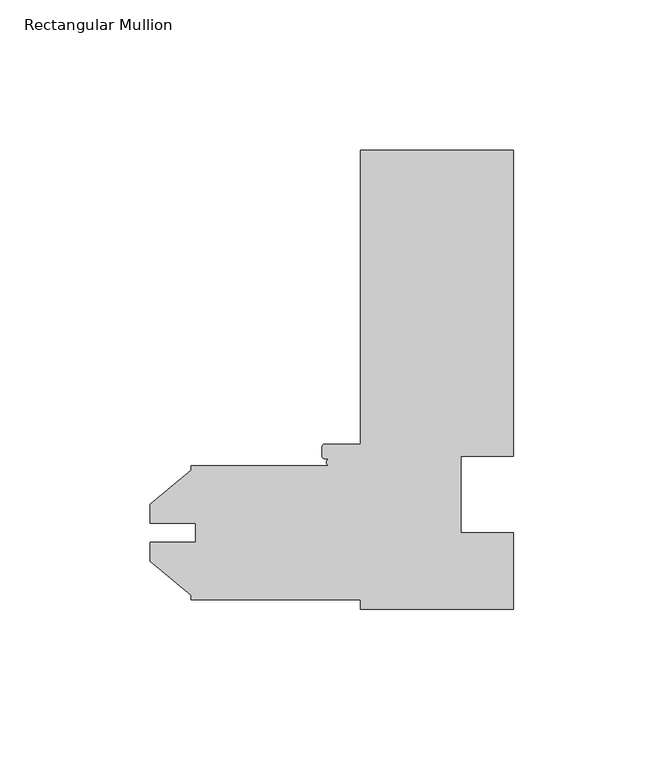
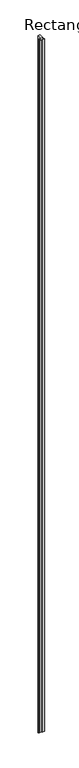
"""IFC4 building model written with IfcOpenShell, lengths in millimetres: member geometry, Rectangular Mullion."""

from ifc_helpers import new_model, si_unit, point, frame, frame_2d, origin, place, context, project, spatial, polyline, circle_curve, trimmed, segment, composite_curve, outline, extrude, source, transform, mapped, element, save


def rectangular_mullion_c0bb84a1(model_context):
    return source(origin(), model_context, "Body", "SweptSolid", [
        extrude(outline(composite_curve([segment(polyline([(50.8, 152.4), (50.8, 50.8), (33.3502, 50.8), (33.3502, 25.4), (50.8, 25.4), (50.8, 0.0), (0.0, 0.0), (0.0, 3.175), (-56.35625, 3.175), (-56.35625, 4.5691667), (-69.81825, 15.865126), (-69.81825, 22.2353979), (-54.78145, 22.2353979), (-54.78145, 28.5595221), (-69.81825, 28.5595221), (-69.81825, 34.929794), (-56.35625, 46.2257533), (-56.35625, 47.625), (-10.1142594, 47.625)]), True, "CONTINUOUS"), segment(trimmed(circle_curve(frame_2d((-10.1142594, 48.8188)), 1.1938), [point((-10.1142594, 47.625))], [point((-10.1142594, 50.0126))], False, "CARTESIAN"), True, "CONTINUOUS"), segment(polyline([(-10.1142594, 50.0126), (-11.9126, 50.0126)]), True, "CONTINUOUS"), segment(trimmed(circle_curve(frame_2d((-11.9126, 50.8)), 0.7874), [point((-11.9126, 50.0126))], [point((-12.7, 50.8))], False, "CARTESIAN"), True, "CONTINUOUS"), segment(polyline([(-12.7, 50.8), (-12.7, 54.0004)]), True, "CONTINUOUS"), segment(trimmed(circle_curve(frame_2d((-11.9126, 54.0004)), 0.7874), [point((-12.7, 54.0004))], [point((-11.9126, 54.7878))], False, "CARTESIAN"), True, "CONTINUOUS"), segment(polyline([(-11.9126, 54.7878), (0.0, 54.7878), (0.0, 152.4), (50.8, 152.4)]), True, "CONTINUOUS")], self_intersect=False)), frame((0.0, 0.0, -15837.0064664), z_axis=(0.0, 0.0, 1.0), x_axis=(1.0, 0.0, 0.0)), (0.0, 0.0, 1.0), 15837.0064664),
    ])


if __name__ == "__main__":
    model = new_model("IFC4")
    model_context = context("Model", 3, world=origin())
    ifc_project = project(units=[si_unit("LENGTHUNIT", "METRE", prefix="MILLI")], contexts=[model_context])
    site = spatial("IfcSite", under=ifc_project)
    building = spatial("IfcBuilding", under=site)
    placement = place(None, origin())
    rectangular_mullion_shape = rectangular_mullion_c0bb84a1(model_context)
    element("IfcMember", 1, ObjectType="Rectangular Mullion", at=placement, inside=building, context=model_context, shape_type="MappedRepresentation", body=[
        mapped(rectangular_mullion_shape, transform((0.0, 0.0, 0.0), x_axis=(1.0, 0.0, 0.0), y_axis=(0.0, 1.0, 0.0), z_axis=(0.0, 0.0, 1.0))),
    ])
    save(model, "model.ifc")
